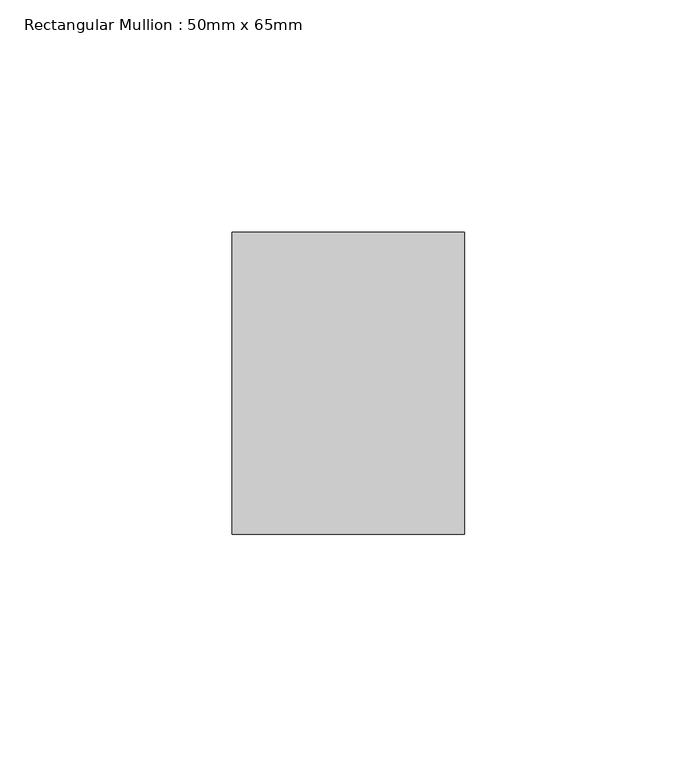
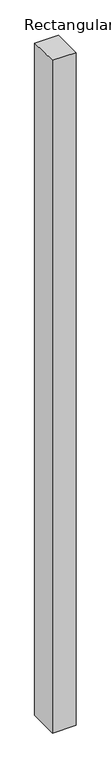
"""IFC4 building model written with IfcOpenShell, lengths in millimetres: member geometry, Rectangular Mullion : 50mm x 65mm."""

import ifcopenshell
import ifcopenshell.guid

model = None  # the IFC model being written
_history = None  # IfcOwnerHistory: only IFC2X3 demands one
_inside = {}  # id of a spatial element -> (the spatial element, [elements in it])
_under = {}  # id of a project, library or spatial element -> (it, [spatial elements below it])
_declared = {}  # id of a project -> (the project, [libraries it declares])
_typed = {}  # id of a type object -> (the type object, [elements of that type])
_made_of = {}  # id of a material, layer set ... -> (it, [elements and type objects made of it])


def new_model(schema):
    """Start an empty IFC model of exactly this schema.

    Asked for "IFC4X3", IfcOpenShell would pick the latest addendum, in which some entities
    have other attributes; the version numbers below select the first issue.
    IFC2X3 requires an IfcOwnerHistory on every rooted entity: one is made here for all.
    """
    global model, _history
    if schema == "IFC4X3":
        model = ifcopenshell.file(schema_version=(4, 3, 0, 0))
    else:
        model = ifcopenshell.file(schema=schema)
    _inside.clear()
    _under.clear()
    _declared.clear()
    _typed.clear()
    _made_of.clear()
    _history = None
    if model.schema == "IFC2X3":
        org = make("IfcOrganization", Name="unknown")
        user = make(
            "IfcPersonAndOrganization",
            ThePerson=make("IfcPerson", FamilyName="unknown"),
            TheOrganization=org,
        )
        app = make(
            "IfcApplication",
            ApplicationDeveloper=org,
            Version="unknown",
            ApplicationFullName="unknown",
            ApplicationIdentifier="unknown",
        )
        _history = make(
            "IfcOwnerHistory",
            OwningUser=user,
            OwningApplication=app,
            ChangeAction="ADDED",
            CreationDate=0,
        )
    return model


def make(cls, **values):
    """One entity of the class cls with the attributes given. An attribute that is None is left unset."""
    return model.create_entity(
        cls, **{name: value for name, value in values.items() if value is not None}
    )


def rooted(cls, **values):
    """An entity with a GlobalId (a new one), such as an element, a storey or a relation."""
    return make(cls, GlobalId=ifcopenshell.guid.new(), OwnerHistory=_history, **values)


def si_unit(unit_type, name, prefix=None):
    """IfcSIUnit, for example si_unit("LENGTHUNIT", "METRE", prefix="MILLI")."""
    return make("IfcSIUnit", UnitType=unit_type, Prefix=prefix, Name=name)


def assignment(units):
    """IfcUnitAssignment: the units of a project."""
    return None if units is None else make("IfcUnitAssignment", Units=units)


def point(xyz):
    """IfcCartesianPoint."""
    return None if xyz is None else make("IfcCartesianPoint", Coordinates=xyz)


def direction(xyz):
    """IfcDirection."""
    return None if xyz is None else make("IfcDirection", DirectionRatios=xyz)


def frame(location, z_axis=None, x_axis=None):
    """IfcAxis2Placement3D, a coordinate frame: its origin and axes. An axis left out is left unset."""
    return make(
        "IfcAxis2Placement3D",
        Location=point(location),
        Axis=direction(z_axis),
        RefDirection=direction(x_axis),
    )


def origin():
    """The frame at (0, 0, 0) with its axes left unset."""
    return frame((0.0, 0.0, 0.0))


def place(relative_to, where):
    """IfcLocalPlacement: puts the frame where relative to a parent placement (None: the world)."""
    return make(
        "IfcLocalPlacement", PlacementRelTo=relative_to, RelativePlacement=where
    )


def context(
    kind, dimensions, precision=None, world=None, true_north=None, identifier=None
):
    """IfcGeometricRepresentationContext, for example the 3D "Model" context."""
    return make(
        "IfcGeometricRepresentationContext",
        ContextIdentifier=identifier,
        ContextType=kind,
        CoordinateSpaceDimension=dimensions,
        Precision=precision,
        WorldCoordinateSystem=world,
        TrueNorth=true_north,
    )


def project(units=None, contexts=None):
    """IfcProject with its units and contexts."""
    return rooted(
        "IfcProject",
        Name="project",
        RepresentationContexts=contexts,
        UnitsInContext=assignment(units),
    )


def spatial(cls, under=None, at=None, **own):
    """A site, building, storey or space (cls), placed at a placement, below another one or the project."""
    s = rooted(cls, ObjectPlacement=at, **own)
    if under is not None:
        _under.setdefault(under.id(), (under, []))[1].append(s)
    return s


def polyline(points):
    """IfcPolyline through the points."""
    return make("IfcPolyline", Points=[point(p) for p in points])


def outline(outer, holes=None, kind="AREA"):
    """IfcArbitraryClosedProfileDef: a profile drawn as a closed curve; with holes, ...WithVoids."""
    if holes is None:
        return make("IfcArbitraryClosedProfileDef", ProfileType=kind, OuterCurve=outer)
    return make(
        "IfcArbitraryProfileDefWithVoids",
        ProfileType=kind,
        OuterCurve=outer,
        InnerCurves=holes,
    )


def extrude(swept, where, along, depth):
    """IfcExtrudedAreaSolid: the profile swept, set in the frame where, extruded along a direction by depth."""
    return make(
        "IfcExtrudedAreaSolid",
        SweptArea=swept,
        Position=where,
        ExtrudedDirection=direction(along),
        Depth=depth,
    )


def shape(context_of_items, identifier, shape_type, items):
    """IfcShapeRepresentation: the items that make up one representation, for example the "Body"."""
    return make(
        "IfcShapeRepresentation",
        ContextOfItems=context_of_items,
        RepresentationIdentifier=identifier,
        RepresentationType=shape_type,
        Items=items,
    )


def source(mapping_origin, context_of_items, identifier, shape_type, items):
    """IfcRepresentationMap: a shape defined once, which mapped items show again and again."""
    return make(
        "IfcRepresentationMap",
        MappingOrigin=mapping_origin,
        MappedRepresentation=shape(context_of_items, identifier, shape_type, items),
    )


def transform(
    local_origin,
    x_axis=None,
    y_axis=None,
    z_axis=None,
    scale=None,
    scale2=None,
    scale3=None,
    uniform=True,
):
    """IfcCartesianTransformationOperator3D, or its non-uniform kind. x_axis, y_axis, z_axis: its Axis1, 2, 3."""
    if uniform:
        return make(
            "IfcCartesianTransformationOperator3D",
            Axis1=direction(x_axis),
            Axis2=direction(y_axis),
            LocalOrigin=point(local_origin),
            Scale=scale,
            Axis3=direction(z_axis),
        )
    return make(
        "IfcCartesianTransformationOperator3DnonUniform",
        Axis1=direction(x_axis),
        Axis2=direction(y_axis),
        LocalOrigin=point(local_origin),
        Scale=scale,
        Axis3=direction(z_axis),
        Scale2=scale2,
        Scale3=scale3,
    )


def mapped(mapping_source, mapping_target):
    """IfcMappedItem: shows the shape of a source again, moved by a transform."""
    return make(
        "IfcMappedItem", MappingSource=mapping_source, MappingTarget=mapping_target
    )


def made_of(thing, what):
    """Note that an element or type object is made of a material, layer set ...; save() writes the relation."""
    if what is not None:
        _made_of.setdefault(what.id(), (what, []))[1].append(thing)
    return thing


def element(
    cls,
    number,
    at=None,
    inside=None,
    cuts=None,
    type_object=None,
    material=None,
    context=None,
    identifier="Body",
    shape_type=None,
    held_by="IfcProductDefinitionShape",
    body=None,
    shapes=None,
    **own,
):
    """One element of the class cls, such as IfcWall. Its Tag is "e" and its number.

    at: its placement. inside: the storey or other place that contains it. cuts: it is an
    opening in that element (IfcRelVoidsElement). A single representation is given by context,
    identifier, shape_type and body (its items); several are given by shapes. held_by: the class
    of the entity that holds the representations. save() writes the other relations.
    """
    e = rooted(cls, Tag="e%d" % number, ObjectPlacement=at, **own)
    if body is not None:
        shapes = [shape(context, identifier, shape_type, body)]
    if shapes is not None:
        e.Representation = make(held_by, Representations=shapes)
    if inside is not None:
        _inside.setdefault(inside.id(), (inside, []))[1].append(e)
    if cuts is not None:
        rooted(
            "IfcRelVoidsElement", RelatingBuildingElement=cuts, RelatedOpeningElement=e
        )
    if type_object is not None:
        _typed.setdefault(type_object.id(), (type_object, []))[1].append(e)
    return made_of(e, material)


def aggregate(whole, parts):
    """IfcRelAggregates: a whole, such as a stair, and the parts it consists of."""
    return rooted("IfcRelAggregates", RelatingObject=whole, RelatedObjects=parts)


def save(model, path):
    """Write the relations noted so far, then the file.

    IfcRelAggregates (storeys below a building ...), IfcRelContainedInSpatialStructure (elements
    in a storey), IfcRelDefinesByType, IfcRelAssociatesMaterial and IfcRelDeclares: one each for
    every whole, place, type object, material and project.
    """
    for whole, parts in _under.values():
        aggregate(whole, parts)
    for where, things in _inside.values():
        rooted(
            "IfcRelContainedInSpatialStructure",
            RelatedElements=things,
            RelatingStructure=where,
        )
    for kind, things in _typed.values():
        rooted("IfcRelDefinesByType", RelatedObjects=things, RelatingType=kind)
    for what, things in _made_of.values():
        rooted("IfcRelAssociatesMaterial", RelatedObjects=things, RelatingMaterial=what)
    for by, libraries in _declared.values():
        rooted("IfcRelDeclares", RelatingContext=by, RelatedDefinitions=libraries)
    model.write(path)


def rectangular_mullion_50mm_x_65mm_95ab03ed(model_context):
    return source(origin(), model_context, "Body", "SweptSolid", [
        extrude(outline(polyline([(-32.5, 0.3057244), (32.5, -0.3057247), (32.5, -1499.7975908), (-32.5, -1500.2030683), (-32.5, 0.3057244)])), frame((-25.0, 0.0, 0.0), z_axis=(1.0, 0.0, 0.0), x_axis=(0.0, 1.0, 0.0)), (0.0, 0.0, 1.0), 50.0),
    ])


if __name__ == "__main__":
    model = new_model("IFC4")
    model_context = context("Model", 3, world=origin())
    ifc_project = project(units=[si_unit("LENGTHUNIT", "METRE", prefix="MILLI")], contexts=[model_context])
    site = spatial("IfcSite", under=ifc_project)
    building = spatial("IfcBuilding", under=site)
    placement = place(None, origin())
    rectangular_mullion_50mm_x_65mm_shape = rectangular_mullion_50mm_x_65mm_95ab03ed(model_context)
    element("IfcMember", 1, ObjectType="Rectangular Mullion : 50mm x 65mm", at=placement, inside=building, context=model_context, shape_type="MappedRepresentation", body=[
        mapped(rectangular_mullion_50mm_x_65mm_shape, transform((0.0, 0.0, 0.0), x_axis=(1.0, 0.0, 0.0), y_axis=(0.0, 1.0, 0.0), z_axis=(0.0, 0.0, 1.0))),
    ])
    save(model, "model.ifc")
